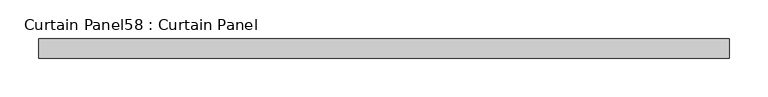
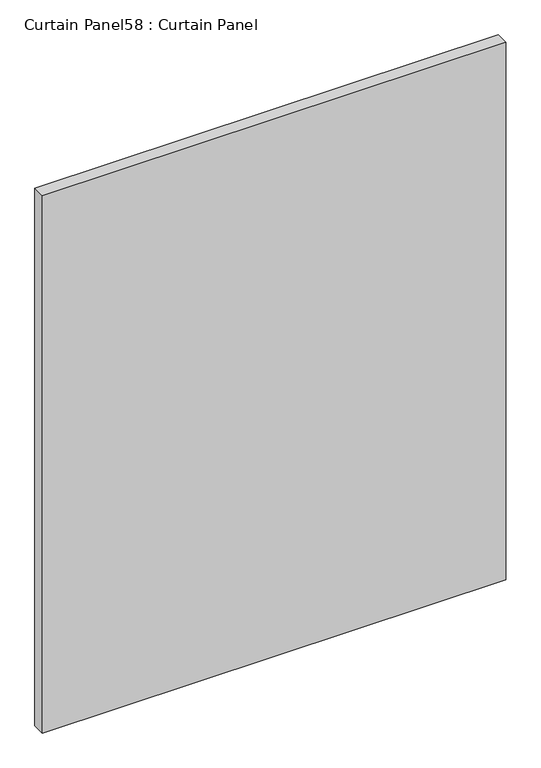
"""IFC4 building model written with IfcOpenShell, lengths in millimetres: plate geometry, Curtain Panel58 : Curtain Panel."""

from ifc_helpers import new_model, si_unit, frame, origin, place, context, project, spatial, polyline, outline, extrude, source, transform, mapped, element, save


def curtain_panel58_curtain_panel_f6a2e89d(model_context):
    return source(origin(), model_context, "Body", "SweptSolid", [
        extrude(outline(polyline([(-39161.3811382, -3859.9631042), (-40056.7309118, -3859.9631042), (-40056.7309118, -3834.5631042), (-39161.3811382, -3834.5631042), (-39161.3811382, -3859.9631042)])), frame((0.0, 0.0, 57.2631194), z_axis=(0.0, 0.0, 1.0), x_axis=(1.0, 0.0, 0.0)), (0.0, 0.0, 1.0), 1098.2334946),
    ])


if __name__ == "__main__":
    model = new_model("IFC4")
    model_context = context("Model", 3, world=origin())
    ifc_project = project(units=[si_unit("LENGTHUNIT", "METRE", prefix="MILLI")], contexts=[model_context])
    site = spatial("IfcSite", under=ifc_project)
    building = spatial("IfcBuilding", under=site)
    placement = place(None, origin())
    curtain_panel58_curtain_panel_shape = curtain_panel58_curtain_panel_f6a2e89d(model_context)
    element("IfcPlate", 1, ObjectType="Curtain Panel58 : Curtain Panel", at=placement, inside=building, context=model_context, shape_type="MappedRepresentation", body=[
        mapped(curtain_panel58_curtain_panel_shape, transform((0.0, 0.0, 0.0), x_axis=(1.0, 0.0, 0.0), y_axis=(0.0, 1.0, 0.0), z_axis=(0.0, 0.0, 1.0))),
    ])
    save(model, "model.ifc")
